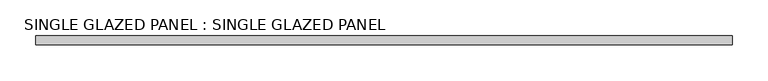
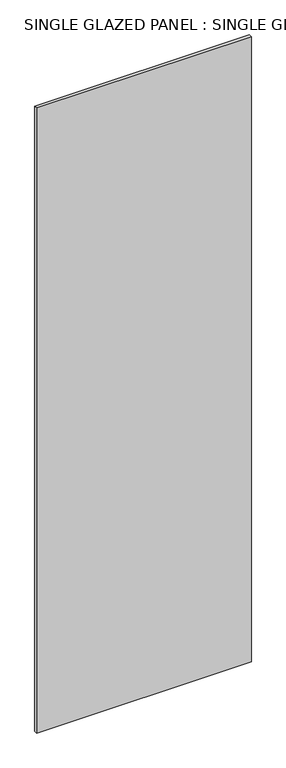
"""IFC4 building model written with IfcOpenShell, lengths in millimetres: plate geometry, SINGLE GLAZED PANEL : SINGLE GLAZED PANEL."""

from ifc_helpers import new_model, si_unit, origin, origin_with_axes, place, context, project, spatial, polyline, outline, extrude, source, transform, mapped, element, save


def single_glazed_panel_single_glazed_panel_d91de498(model_context):
    return source(origin(), model_context, "Body", "SweptSolid", [
        extrude(outline(polyline([(488.95, 6.35), (488.95, -6.35), (-488.95, -6.35), (-488.95, 6.35), (488.95, 6.35)])), origin_with_axes(), (0.0, 0.0, 1.0), 3006.725),
    ])


if __name__ == "__main__":
    model = new_model("IFC4")
    model_context = context("Model", 3, world=origin())
    ifc_project = project(units=[si_unit("LENGTHUNIT", "METRE", prefix="MILLI")], contexts=[model_context])
    site = spatial("IfcSite", under=ifc_project)
    building = spatial("IfcBuilding", under=site)
    placement = place(None, origin())
    single_glazed_panel_single_glazed_panel_shape = single_glazed_panel_single_glazed_panel_d91de498(model_context)
    element("IfcPlate", 1, ObjectType="SINGLE GLAZED PANEL : SINGLE GLAZED PANEL", at=placement, inside=building, context=model_context, shape_type="MappedRepresentation", body=[
        mapped(single_glazed_panel_single_glazed_panel_shape, transform((0.0, 0.0, 0.0), x_axis=(1.0, 0.0, 0.0), y_axis=(0.0, 1.0, 0.0), z_axis=(0.0, 0.0, 1.0))),
    ])
    save(model, "model.ifc")
